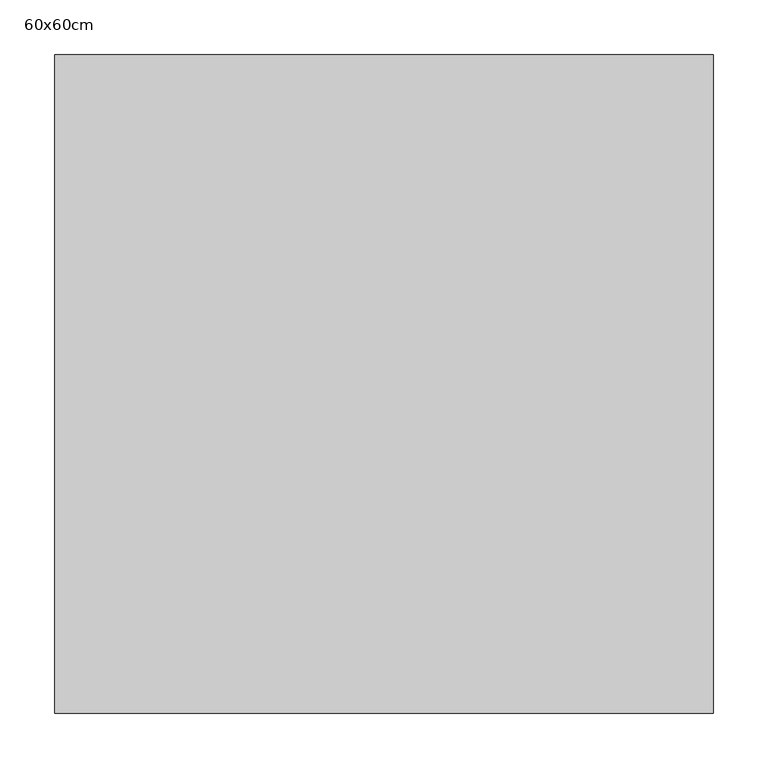
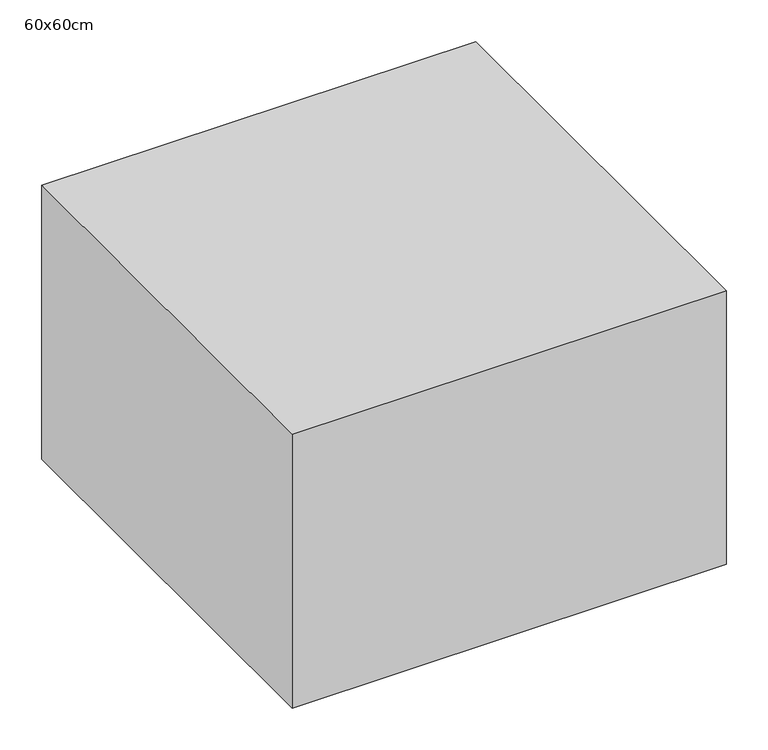
"""IFC4 building model written with IfcOpenShell, lengths in millimetres: proxy geometry, 60x60cm."""

import ifcopenshell
import ifcopenshell.guid

model = None  # the IFC model being written
_history = None  # IfcOwnerHistory: only IFC2X3 demands one
_inside = {}  # id of a spatial element -> (the spatial element, [elements in it])
_under = {}  # id of a project, library or spatial element -> (it, [spatial elements below it])
_declared = {}  # id of a project -> (the project, [libraries it declares])
_typed = {}  # id of a type object -> (the type object, [elements of that type])
_made_of = {}  # id of a material, layer set ... -> (it, [elements and type objects made of it])


def new_model(schema):
    """Start an empty IFC model of exactly this schema.

    Asked for "IFC4X3", IfcOpenShell would pick the latest addendum, in which some entities
    have other attributes; the version numbers below select the first issue.
    IFC2X3 requires an IfcOwnerHistory on every rooted entity: one is made here for all.
    """
    global model, _history
    if schema == "IFC4X3":
        model = ifcopenshell.file(schema_version=(4, 3, 0, 0))
    else:
        model = ifcopenshell.file(schema=schema)
    _inside.clear()
    _under.clear()
    _declared.clear()
    _typed.clear()
    _made_of.clear()
    _history = None
    if model.schema == "IFC2X3":
        org = make("IfcOrganization", Name="unknown")
        user = make(
            "IfcPersonAndOrganization",
            ThePerson=make("IfcPerson", FamilyName="unknown"),
            TheOrganization=org,
        )
        app = make(
            "IfcApplication",
            ApplicationDeveloper=org,
            Version="unknown",
            ApplicationFullName="unknown",
            ApplicationIdentifier="unknown",
        )
        _history = make(
            "IfcOwnerHistory",
            OwningUser=user,
            OwningApplication=app,
            ChangeAction="ADDED",
            CreationDate=0,
        )
    return model


def make(cls, **values):
    """One entity of the class cls with the attributes given. An attribute that is None is left unset."""
    return model.create_entity(
        cls, **{name: value for name, value in values.items() if value is not None}
    )


def rooted(cls, **values):
    """An entity with a GlobalId (a new one), such as an element, a storey or a relation."""
    return make(cls, GlobalId=ifcopenshell.guid.new(), OwnerHistory=_history, **values)


def si_unit(unit_type, name, prefix=None):
    """IfcSIUnit, for example si_unit("LENGTHUNIT", "METRE", prefix="MILLI")."""
    return make("IfcSIUnit", UnitType=unit_type, Prefix=prefix, Name=name)


def assignment(units):
    """IfcUnitAssignment: the units of a project."""
    return None if units is None else make("IfcUnitAssignment", Units=units)


def point(xyz):
    """IfcCartesianPoint."""
    return None if xyz is None else make("IfcCartesianPoint", Coordinates=xyz)


def direction(xyz):
    """IfcDirection."""
    return None if xyz is None else make("IfcDirection", DirectionRatios=xyz)


def frame(location, z_axis=None, x_axis=None):
    """IfcAxis2Placement3D, a coordinate frame: its origin and axes. An axis left out is left unset."""
    return make(
        "IfcAxis2Placement3D",
        Location=point(location),
        Axis=direction(z_axis),
        RefDirection=direction(x_axis),
    )


def origin():
    """The frame at (0, 0, 0) with its axes left unset."""
    return frame((0.0, 0.0, 0.0))


def place(relative_to, where):
    """IfcLocalPlacement: puts the frame where relative to a parent placement (None: the world)."""
    return make(
        "IfcLocalPlacement", PlacementRelTo=relative_to, RelativePlacement=where
    )


def context(
    kind, dimensions, precision=None, world=None, true_north=None, identifier=None
):
    """IfcGeometricRepresentationContext, for example the 3D "Model" context."""
    return make(
        "IfcGeometricRepresentationContext",
        ContextIdentifier=identifier,
        ContextType=kind,
        CoordinateSpaceDimension=dimensions,
        Precision=precision,
        WorldCoordinateSystem=world,
        TrueNorth=true_north,
    )


def project(units=None, contexts=None):
    """IfcProject with its units and contexts."""
    return rooted(
        "IfcProject",
        Name="project",
        RepresentationContexts=contexts,
        UnitsInContext=assignment(units),
    )


def spatial(cls, under=None, at=None, **own):
    """A site, building, storey or space (cls), placed at a placement, below another one or the project."""
    s = rooted(cls, ObjectPlacement=at, **own)
    if under is not None:
        _under.setdefault(under.id(), (under, []))[1].append(s)
    return s


def polyline(points):
    """IfcPolyline through the points."""
    return make("IfcPolyline", Points=[point(p) for p in points])


def outline(outer, holes=None, kind="AREA"):
    """IfcArbitraryClosedProfileDef: a profile drawn as a closed curve; with holes, ...WithVoids."""
    if holes is None:
        return make("IfcArbitraryClosedProfileDef", ProfileType=kind, OuterCurve=outer)
    return make(
        "IfcArbitraryProfileDefWithVoids",
        ProfileType=kind,
        OuterCurve=outer,
        InnerCurves=holes,
    )


def extrude(swept, where, along, depth):
    """IfcExtrudedAreaSolid: the profile swept, set in the frame where, extruded along a direction by depth."""
    return make(
        "IfcExtrudedAreaSolid",
        SweptArea=swept,
        Position=where,
        ExtrudedDirection=direction(along),
        Depth=depth,
    )


def shape(context_of_items, identifier, shape_type, items):
    """IfcShapeRepresentation: the items that make up one representation, for example the "Body"."""
    return make(
        "IfcShapeRepresentation",
        ContextOfItems=context_of_items,
        RepresentationIdentifier=identifier,
        RepresentationType=shape_type,
        Items=items,
    )


def source(mapping_origin, context_of_items, identifier, shape_type, items):
    """IfcRepresentationMap: a shape defined once, which mapped items show again and again."""
    return make(
        "IfcRepresentationMap",
        MappingOrigin=mapping_origin,
        MappedRepresentation=shape(context_of_items, identifier, shape_type, items),
    )


def transform(
    local_origin,
    x_axis=None,
    y_axis=None,
    z_axis=None,
    scale=None,
    scale2=None,
    scale3=None,
    uniform=True,
):
    """IfcCartesianTransformationOperator3D, or its non-uniform kind. x_axis, y_axis, z_axis: its Axis1, 2, 3."""
    if uniform:
        return make(
            "IfcCartesianTransformationOperator3D",
            Axis1=direction(x_axis),
            Axis2=direction(y_axis),
            LocalOrigin=point(local_origin),
            Scale=scale,
            Axis3=direction(z_axis),
        )
    return make(
        "IfcCartesianTransformationOperator3DnonUniform",
        Axis1=direction(x_axis),
        Axis2=direction(y_axis),
        LocalOrigin=point(local_origin),
        Scale=scale,
        Axis3=direction(z_axis),
        Scale2=scale2,
        Scale3=scale3,
    )


def mapped(mapping_source, mapping_target):
    """IfcMappedItem: shows the shape of a source again, moved by a transform."""
    return make(
        "IfcMappedItem", MappingSource=mapping_source, MappingTarget=mapping_target
    )


def made_of(thing, what):
    """Note that an element or type object is made of a material, layer set ...; save() writes the relation."""
    if what is not None:
        _made_of.setdefault(what.id(), (what, []))[1].append(thing)
    return thing


def element(
    cls,
    number,
    at=None,
    inside=None,
    cuts=None,
    type_object=None,
    material=None,
    context=None,
    identifier="Body",
    shape_type=None,
    held_by="IfcProductDefinitionShape",
    body=None,
    shapes=None,
    **own,
):
    """One element of the class cls, such as IfcWall. Its Tag is "e" and its number.

    at: its placement. inside: the storey or other place that contains it. cuts: it is an
    opening in that element (IfcRelVoidsElement). A single representation is given by context,
    identifier, shape_type and body (its items); several are given by shapes. held_by: the class
    of the entity that holds the representations. save() writes the other relations.
    """
    e = rooted(cls, Tag="e%d" % number, ObjectPlacement=at, **own)
    if body is not None:
        shapes = [shape(context, identifier, shape_type, body)]
    if shapes is not None:
        e.Representation = make(held_by, Representations=shapes)
    if inside is not None:
        _inside.setdefault(inside.id(), (inside, []))[1].append(e)
    if cuts is not None:
        rooted(
            "IfcRelVoidsElement", RelatingBuildingElement=cuts, RelatedOpeningElement=e
        )
    if type_object is not None:
        _typed.setdefault(type_object.id(), (type_object, []))[1].append(e)
    return made_of(e, material)


def aggregate(whole, parts):
    """IfcRelAggregates: a whole, such as a stair, and the parts it consists of."""
    return rooted("IfcRelAggregates", RelatingObject=whole, RelatedObjects=parts)


def save(model, path):
    """Write the relations noted so far, then the file.

    IfcRelAggregates (storeys below a building ...), IfcRelContainedInSpatialStructure (elements
    in a storey), IfcRelDefinesByType, IfcRelAssociatesMaterial and IfcRelDeclares: one each for
    every whole, place, type object, material and project.
    """
    for whole, parts in _under.values():
        aggregate(whole, parts)
    for where, things in _inside.values():
        rooted(
            "IfcRelContainedInSpatialStructure",
            RelatedElements=things,
            RelatingStructure=where,
        )
    for kind, things in _typed.values():
        rooted("IfcRelDefinesByType", RelatedObjects=things, RelatingType=kind)
    for what, things in _made_of.values():
        rooted("IfcRelAssociatesMaterial", RelatedObjects=things, RelatingMaterial=what)
    for by, libraries in _declared.values():
        rooted("IfcRelDeclares", RelatingContext=by, RelatedDefinitions=libraries)
    model.write(path)


def proxy_60x60cm_5cd13d5a(model_context):
    return source(origin(), model_context, "Body", "SweptSolid", [
        extrude(outline(polyline([(600.0, 600.0), (600.0, 0.0), (0.0, 0.0), (0.0, 600.0), (600.0, 600.0)])), frame((0.0, 0.0, 3000.0), z_axis=(0.0, 0.0, 1.0), x_axis=(1.0, 0.0, 0.0)), (0.0, 0.0, 1.0), 400.0),
    ])


if __name__ == "__main__":
    model = new_model("IFC4")
    model_context = context("Model", 3, world=origin())
    ifc_project = project(units=[si_unit("LENGTHUNIT", "METRE", prefix="MILLI")], contexts=[model_context])
    site = spatial("IfcSite", under=ifc_project)
    building = spatial("IfcBuilding", under=site)
    placement = place(None, origin())
    proxy_60x60cm_shape = proxy_60x60cm_5cd13d5a(model_context)
    element("IfcBuildingElementProxy", 1, Name="60x60cm", ObjectType="60x60cm", at=placement, inside=building, context=model_context, shape_type="MappedRepresentation", body=[
        mapped(proxy_60x60cm_shape, transform((0.0, 0.0, 0.0), x_axis=(1.0, 0.0, 0.0), y_axis=(0.0, 1.0, 0.0), z_axis=(0.0, 0.0, 1.0))),
    ])
    save(model, "model.ifc")
